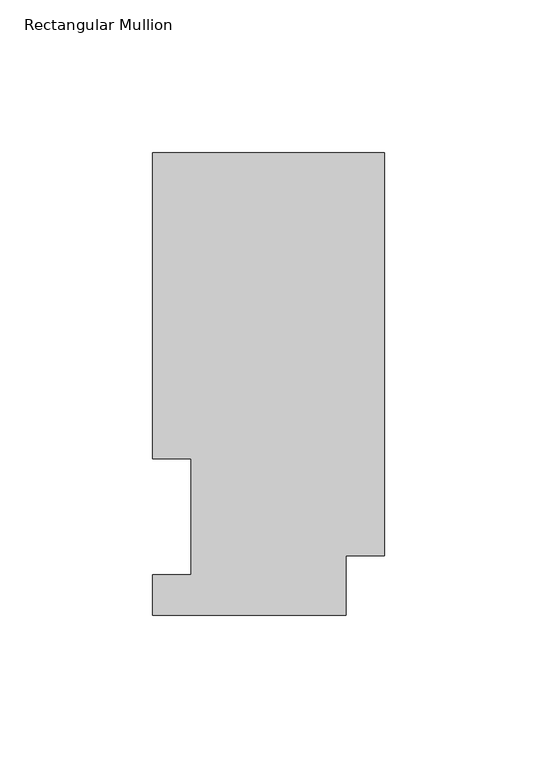
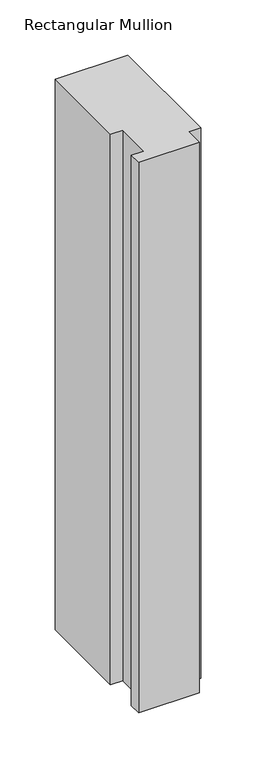
"""IFC4 building model written with IfcOpenShell, lengths in millimetres: member geometry, Rectangular Mullion."""

from ifc_helpers import new_model, si_unit, frame, origin, place, context, project, spatial, polyline, outline, extrude, source, transform, mapped, element, save


def rectangular_mullion_9ebba0e8(model_context):
    return source(origin(), model_context, "Body", "SweptSolid", [
        extrude(outline(polyline([(-76.2, 190.0007313), (0.0, 190.0007312), (0.0, 57.8440332), (-12.7, 57.8440332), (-12.7, 38.3119312), (-76.1999999, 38.3119312), (-76.1999999, 51.4945312), (-63.5, 51.4945312), (-63.5, 89.5945313), (-76.2, 89.5945313), (-76.2, 190.0007313)])), frame((0.0, 0.0, -609.6), z_axis=(0.0, 0.0, 1.0), x_axis=(1.0, 0.0, 0.0)), (0.0, 0.0, 1.0), 609.6),
    ])


if __name__ == "__main__":
    model = new_model("IFC4")
    model_context = context("Model", 3, world=origin())
    ifc_project = project(units=[si_unit("LENGTHUNIT", "METRE", prefix="MILLI")], contexts=[model_context])
    site = spatial("IfcSite", under=ifc_project)
    building = spatial("IfcBuilding", under=site)
    placement = place(None, origin())
    rectangular_mullion_shape = rectangular_mullion_9ebba0e8(model_context)
    element("IfcMember", 1, ObjectType="Rectangular Mullion", at=placement, inside=building, context=model_context, shape_type="MappedRepresentation", body=[
        mapped(rectangular_mullion_shape, transform((0.0, 0.0, 0.0), x_axis=(1.0, 0.0, 0.0), y_axis=(0.0, 1.0, 0.0), z_axis=(0.0, 0.0, 1.0))),
    ])
    save(model, "model.ifc")
